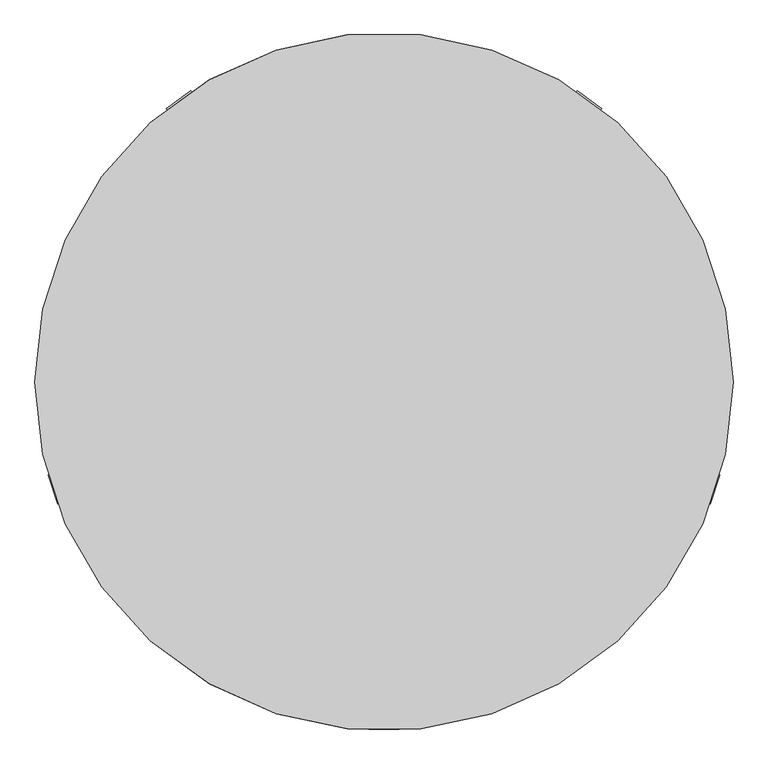
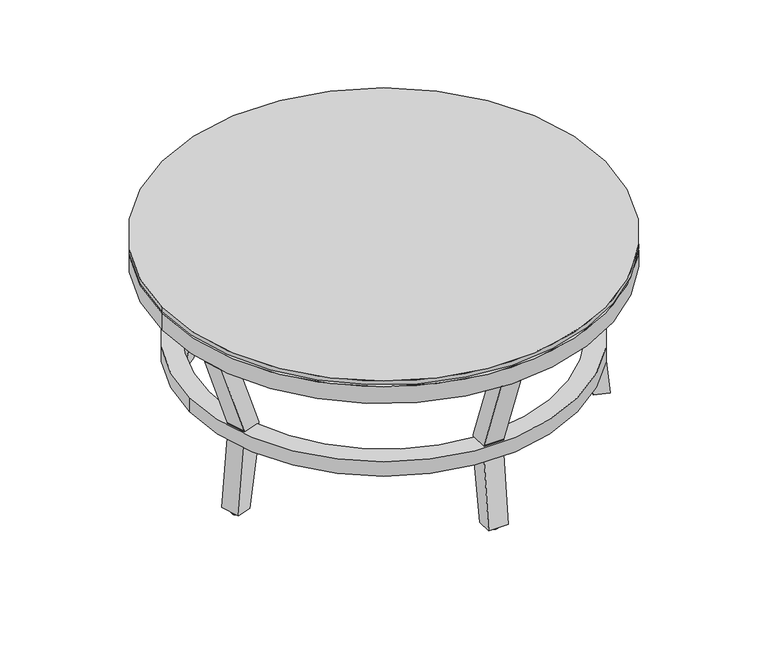
"""IFC4 building model written with IfcOpenShell, lengths in millimetres: furniture geometry."""

import ifcopenshell
import ifcopenshell.guid

model = None  # the IFC model being written
_history = None  # IfcOwnerHistory: only IFC2X3 demands one
_inside = {}  # id of a spatial element -> (the spatial element, [elements in it])
_under = {}  # id of a project, library or spatial element -> (it, [spatial elements below it])
_declared = {}  # id of a project -> (the project, [libraries it declares])
_typed = {}  # id of a type object -> (the type object, [elements of that type])
_made_of = {}  # id of a material, layer set ... -> (it, [elements and type objects made of it])


def new_model(schema):
    """Start an empty IFC model of exactly this schema.

    Asked for "IFC4X3", IfcOpenShell would pick the latest addendum, in which some entities
    have other attributes; the version numbers below select the first issue.
    IFC2X3 requires an IfcOwnerHistory on every rooted entity: one is made here for all.
    """
    global model, _history
    if schema == "IFC4X3":
        model = ifcopenshell.file(schema_version=(4, 3, 0, 0))
    else:
        model = ifcopenshell.file(schema=schema)
    _inside.clear()
    _under.clear()
    _declared.clear()
    _typed.clear()
    _made_of.clear()
    _history = None
    if model.schema == "IFC2X3":
        org = make("IfcOrganization", Name="unknown")
        user = make(
            "IfcPersonAndOrganization",
            ThePerson=make("IfcPerson", FamilyName="unknown"),
            TheOrganization=org,
        )
        app = make(
            "IfcApplication",
            ApplicationDeveloper=org,
            Version="unknown",
            ApplicationFullName="unknown",
            ApplicationIdentifier="unknown",
        )
        _history = make(
            "IfcOwnerHistory",
            OwningUser=user,
            OwningApplication=app,
            ChangeAction="ADDED",
            CreationDate=0,
        )
    return model


def make(cls, **values):
    """One entity of the class cls with the attributes given. An attribute that is None is left unset."""
    return model.create_entity(
        cls, **{name: value for name, value in values.items() if value is not None}
    )


def rooted(cls, **values):
    """An entity with a GlobalId (a new one), such as an element, a storey or a relation."""
    return make(cls, GlobalId=ifcopenshell.guid.new(), OwnerHistory=_history, **values)


def si_unit(unit_type, name, prefix=None):
    """IfcSIUnit, for example si_unit("LENGTHUNIT", "METRE", prefix="MILLI")."""
    return make("IfcSIUnit", UnitType=unit_type, Prefix=prefix, Name=name)


def assignment(units):
    """IfcUnitAssignment: the units of a project."""
    return None if units is None else make("IfcUnitAssignment", Units=units)


def point(xyz):
    """IfcCartesianPoint."""
    return None if xyz is None else make("IfcCartesianPoint", Coordinates=xyz)


def direction(xyz):
    """IfcDirection."""
    return None if xyz is None else make("IfcDirection", DirectionRatios=xyz)


def frame(location, z_axis=None, x_axis=None):
    """IfcAxis2Placement3D, a coordinate frame: its origin and axes. An axis left out is left unset."""
    return make(
        "IfcAxis2Placement3D",
        Location=point(location),
        Axis=direction(z_axis),
        RefDirection=direction(x_axis),
    )


def frame_2d(location, x_axis=None):
    """IfcAxis2Placement2D, a coordinate frame in the plane: its origin and x axis."""
    return make(
        "IfcAxis2Placement2D", Location=point(location), RefDirection=direction(x_axis)
    )


def origin():
    """The frame at (0, 0, 0) with its axes left unset."""
    return frame((0.0, 0.0, 0.0))


def place(relative_to, where):
    """IfcLocalPlacement: puts the frame where relative to a parent placement (None: the world)."""
    return make(
        "IfcLocalPlacement", PlacementRelTo=relative_to, RelativePlacement=where
    )


def context(
    kind, dimensions, precision=None, world=None, true_north=None, identifier=None
):
    """IfcGeometricRepresentationContext, for example the 3D "Model" context."""
    return make(
        "IfcGeometricRepresentationContext",
        ContextIdentifier=identifier,
        ContextType=kind,
        CoordinateSpaceDimension=dimensions,
        Precision=precision,
        WorldCoordinateSystem=world,
        TrueNorth=true_north,
    )


def project(units=None, contexts=None):
    """IfcProject with its units and contexts."""
    return rooted(
        "IfcProject",
        Name="project",
        RepresentationContexts=contexts,
        UnitsInContext=assignment(units),
    )


def spatial(cls, under=None, at=None, **own):
    """A site, building, storey or space (cls), placed at a placement, below another one or the project."""
    s = rooted(cls, ObjectPlacement=at, **own)
    if under is not None:
        _under.setdefault(under.id(), (under, []))[1].append(s)
    return s


def polyline(points):
    """IfcPolyline through the points."""
    return make("IfcPolyline", Points=[point(p) for p in points])


def circle_curve(where, radius):
    """IfcCircle in the frame where."""
    return make("IfcCircle", Position=where, Radius=radius)


def ellipse_curve(where, semi_axis1, semi_axis2):
    """IfcEllipse in the frame where."""
    return make(
        "IfcEllipse", Position=where, SemiAxis1=semi_axis1, SemiAxis2=semi_axis2
    )


def trimmed(basis, trim1, trim2, sense, master):
    """IfcTrimmedCurve: the piece of a basis curve between two trims."""
    return make(
        "IfcTrimmedCurve",
        BasisCurve=basis,
        Trim1=trim1,
        Trim2=trim2,
        SenseAgreement=sense,
        MasterRepresentation=master,
    )


def segment(curve, same_sense, transition):
    """IfcCompositeCurveSegment."""
    return make(
        "IfcCompositeCurveSegment",
        Transition=transition,
        SameSense=same_sense,
        ParentCurve=curve,
    )


def composite_curve(segments, self_intersect=None):
    """IfcCompositeCurve: segments joined end to end."""
    return make("IfcCompositeCurve", Segments=segments, SelfIntersect=self_intersect)


def outline(outer, holes=None, kind="AREA"):
    """IfcArbitraryClosedProfileDef: a profile drawn as a closed curve; with holes, ...WithVoids."""
    if holes is None:
        return make("IfcArbitraryClosedProfileDef", ProfileType=kind, OuterCurve=outer)
    return make(
        "IfcArbitraryProfileDefWithVoids",
        ProfileType=kind,
        OuterCurve=outer,
        InnerCurves=holes,
    )


def extrude(swept, where, along, depth):
    """IfcExtrudedAreaSolid: the profile swept, set in the frame where, extruded along a direction by depth."""
    return make(
        "IfcExtrudedAreaSolid",
        SweptArea=swept,
        Position=where,
        ExtrudedDirection=direction(along),
        Depth=depth,
    )


def shape(context_of_items, identifier, shape_type, items):
    """IfcShapeRepresentation: the items that make up one representation, for example the "Body"."""
    return make(
        "IfcShapeRepresentation",
        ContextOfItems=context_of_items,
        RepresentationIdentifier=identifier,
        RepresentationType=shape_type,
        Items=items,
    )


def source(mapping_origin, context_of_items, identifier, shape_type, items):
    """IfcRepresentationMap: a shape defined once, which mapped items show again and again."""
    return make(
        "IfcRepresentationMap",
        MappingOrigin=mapping_origin,
        MappedRepresentation=shape(context_of_items, identifier, shape_type, items),
    )


def transform(
    local_origin,
    x_axis=None,
    y_axis=None,
    z_axis=None,
    scale=None,
    scale2=None,
    scale3=None,
    uniform=True,
):
    """IfcCartesianTransformationOperator3D, or its non-uniform kind. x_axis, y_axis, z_axis: its Axis1, 2, 3."""
    if uniform:
        return make(
            "IfcCartesianTransformationOperator3D",
            Axis1=direction(x_axis),
            Axis2=direction(y_axis),
            LocalOrigin=point(local_origin),
            Scale=scale,
            Axis3=direction(z_axis),
        )
    return make(
        "IfcCartesianTransformationOperator3DnonUniform",
        Axis1=direction(x_axis),
        Axis2=direction(y_axis),
        LocalOrigin=point(local_origin),
        Scale=scale,
        Axis3=direction(z_axis),
        Scale2=scale2,
        Scale3=scale3,
    )


def mapped(mapping_source, mapping_target):
    """IfcMappedItem: shows the shape of a source again, moved by a transform."""
    return make(
        "IfcMappedItem", MappingSource=mapping_source, MappingTarget=mapping_target
    )


def made_of(thing, what):
    """Note that an element or type object is made of a material, layer set ...; save() writes the relation."""
    if what is not None:
        _made_of.setdefault(what.id(), (what, []))[1].append(thing)
    return thing


def element(
    cls,
    number,
    at=None,
    inside=None,
    cuts=None,
    type_object=None,
    material=None,
    context=None,
    identifier="Body",
    shape_type=None,
    held_by="IfcProductDefinitionShape",
    body=None,
    shapes=None,
    **own,
):
    """One element of the class cls, such as IfcWall. Its Tag is "e" and its number.

    at: its placement. inside: the storey or other place that contains it. cuts: it is an
    opening in that element (IfcRelVoidsElement). A single representation is given by context,
    identifier, shape_type and body (its items); several are given by shapes. held_by: the class
    of the entity that holds the representations. save() writes the other relations.
    """
    e = rooted(cls, Tag="e%d" % number, ObjectPlacement=at, **own)
    if body is not None:
        shapes = [shape(context, identifier, shape_type, body)]
    if shapes is not None:
        e.Representation = make(held_by, Representations=shapes)
    if inside is not None:
        _inside.setdefault(inside.id(), (inside, []))[1].append(e)
    if cuts is not None:
        rooted(
            "IfcRelVoidsElement", RelatingBuildingElement=cuts, RelatedOpeningElement=e
        )
    if type_object is not None:
        _typed.setdefault(type_object.id(), (type_object, []))[1].append(e)
    return made_of(e, material)


def aggregate(whole, parts):
    """IfcRelAggregates: a whole, such as a stair, and the parts it consists of."""
    return rooted("IfcRelAggregates", RelatingObject=whole, RelatedObjects=parts)


def save(model, path):
    """Write the relations noted so far, then the file.

    IfcRelAggregates (storeys below a building ...), IfcRelContainedInSpatialStructure (elements
    in a storey), IfcRelDefinesByType, IfcRelAssociatesMaterial and IfcRelDeclares: one each for
    every whole, place, type object, material and project.
    """
    for whole, parts in _under.values():
        aggregate(whole, parts)
    for where, things in _inside.values():
        rooted(
            "IfcRelContainedInSpatialStructure",
            RelatedElements=things,
            RelatingStructure=where,
        )
    for kind, things in _typed.values():
        rooted("IfcRelDefinesByType", RelatedObjects=things, RelatingType=kind)
    for what, things in _made_of.values():
        rooted("IfcRelAssociatesMaterial", RelatedObjects=things, RelatingMaterial=what)
    for by, libraries in _declared.values():
        rooted("IfcRelDeclares", RelatingContext=by, RelatedDefinitions=libraries)
    model.write(path)


def plane_surface(at):
    """IfcPlane: the flat surface through the origin of the frame at, square to its z axis."""
    return make("IfcPlane", Position=at)


def cylinder_surface(at, radius):
    """IfcCylindricalSurface: all points at the distance radius from the z axis of the frame at."""
    return make("IfcCylindricalSurface", Position=at, Radius=radius)


def revolved_surface(curve, axis_point, axis_direction):
    """IfcSurfaceOfRevolution: the curve turned about the line through axis_point along axis_direction."""
    return make(
        "IfcSurfaceOfRevolution",
        SweptCurve=make("IfcArbitraryOpenProfileDef", ProfileType="CURVE", Curve=curve),
        AxisPosition=make("IfcAxis1Placement", Location=point(axis_point), Axis=direction(axis_direction)),
    )


def advanced_brep(points, edges, surfaces, faces):
    """IfcAdvancedBrep: a solid bounded by faces that lie on surfaces and meet in shared edges.

    An edge is (start, end): straight between two places in points (the first is 0);
    or (start, end, curve); or (start, end, curve, False) where it runs against its curve.
    A face is (place in surfaces, loops), or (place, loops, False) where it looks against
    its surface's normal. A loop lists edges by number (the first is 1), with a minus sign
    where the edge is run from its end to its start. The first loop is the outer one.
    """
    corners = [point(p) for p in points]
    vertices = [make("IfcVertexPoint", VertexGeometry=c) for c in corners]
    made = []
    for start, end, *more in edges:
        made.append(
            make(
                "IfcEdgeCurve",
                EdgeStart=vertices[start],
                EdgeEnd=vertices[end],
                EdgeGeometry=more[0] if more else make("IfcPolyline", Points=[corners[start], corners[end]]),
                SameSense=more[1] if len(more) > 1 else True,
            )
        )
    hull = []
    for where, loops, *sense in faces:
        bounds = []
        for j, loop in enumerate(loops):
            ring = [make("IfcOrientedEdge", EdgeElement=made[abs(k) - 1], Orientation=k > 0) for k in loop]
            bounds.append(
                make(
                    "IfcFaceOuterBound" if j == 0 else "IfcFaceBound",
                    Bound=make("IfcEdgeLoop", EdgeList=ring),
                    Orientation=True,
                )
            )
        hull.append(make("IfcAdvancedFace", Bounds=bounds, FaceSurface=surfaces[where], SameSense=sense[0] if sense else True))
    return make("IfcAdvancedBrep", Outer=make("IfcClosedShell", CfsFaces=hull))


def furniture_ee58636d(model_context):
    return source(origin(), model_context, "Body", "SolidModel", [
        extrude(outline(composite_curve([segment(trimmed(circle_curve(frame_2d((-0.1170764, -4.034743)), 508.0), [point((-508.1170764, -4.034743))], [point((507.8829236, -4.034743))], False, "CARTESIAN"), True, "CONTINUOUS"), segment(trimmed(circle_curve(frame_2d((-0.1170764, -4.034743)), 508.0), [point((507.8829236, -4.034743))], [point((-508.1170764, -4.034743))], False, "CARTESIAN"), True, "CONTINUOUS")], self_intersect=False), holes=[composite_curve([segment(polyline([(2.5685154, 32.9460217), (258.0561961, 384.6186475)]), True, "CONTINUOUS"), segment(trimmed(circle_curve(frame_2d((-0.1170764, -4.034743)), 466.5885731), [point((258.0561961, 384.6186475))], [point((-254.6794208, 386.9932732))], True, "CARTESIAN"), True, "CONTINUOUS"), segment(polyline([(-254.6794208, 386.9932732), (2.5685154, 32.9460217)]), True, "CONTINUOUS")], self_intersect=False), composite_curve([segment(polyline([(38.893601, 6.5560991), (449.9771996, -126.9983119)]), True, "CONTINUOUS"), segment(trimmed(circle_curve(frame_2d((-0.1170764, -4.034743)), 466.5885731), [point((449.9771996, -126.9983119))], [point((466.4714967, -4.034743))], True, "CARTESIAN"), True, "CONTINUOUS"), segment(trimmed(circle_curve(frame_2d((-0.1170764, -4.034743)), 466.5885731), [point((466.4714967, -4.034743))], [point((294.2178202, 358.0037428))], True, "CARTESIAN"), True, "CONTINUOUS"), segment(polyline([(294.2178202, 358.0037428), (38.893601, 6.5560991)]), True, "CONTINUOUS")], self_intersect=False), composite_curve([segment(polyline([(25.0203653, -36.1460449), (25.034437, -469.9449253)]), True, "CONTINUOUS"), segment(trimmed(circle_curve(frame_2d((-0.1170764, -4.034743)), 466.5885731), [point((25.034437, -469.9449253))], [point((436.0743441, -169.6908364))], True, "CARTESIAN"), True, "CONTINUOUS"), segment(polyline([(436.0743441, -169.6908364), (25.0203653, -36.1460449)]), True, "CONTINUOUS")], self_intersect=False), composite_curve([segment(polyline([(-19.8788563, -36.1475012), (-435.7045723, -171.2723884)]), True, "CONTINUOUS"), segment(trimmed(circle_curve(frame_2d((-0.1170764, -4.034743)), 466.5885731), [point((-435.7045723, -171.2723884))], [point((-19.8647717, -470.2052323))], True, "CARTESIAN"), True, "CONTINUOUS"), segment(polyline([(-19.8647717, -470.2052323), (-19.8788563, -36.1475012)]), True, "CONTINUOUS")], self_intersect=False), composite_curve([segment(polyline([(-33.7548625, 6.5537464), (-291.0855094, 360.7148527)]), True, "CONTINUOUS"), segment(trimmed(circle_curve(frame_2d((-0.1170764, -4.034743)), 466.5885731), [point((-291.0855094, 360.7148527))], [point((-466.7056496, -4.034743))], True, "CARTESIAN"), True, "CONTINUOUS"), segment(trimmed(circle_curve(frame_2d((-0.1170764, -4.034743)), 466.5885731), [point((-466.7056496, -4.034743))], [point((-449.7623461, -128.6302004))], True, "CARTESIAN"), True, "CONTINUOUS"), segment(polyline([(-449.7623461, -128.6302004), (-33.7548625, 6.5537464)]), True, "CONTINUOUS")], self_intersect=False)]), frame((0.0, 0.0, 389.9617955), z_axis=(0.0, 0.0, 1.0), x_axis=(1.0, 0.0, 0.0)), (0.0, 0.0, 1.0), 40.3928833),
        advanced_brep(
        [(22.3553965, -510.3082097, 389.9617955), (22.3553965, -442.3370878, 206.1575756), (22.3553965, -442.3665129, 203.6636084), (22.3553965, -403.1242044, 203.6636084), (22.3553965, -403.1242044, 169.0038375), (22.3553965, -442.8098702, 169.0038375), (22.3553965, -459.5357357, 9.1777344), (22.3553965, -425.2049528, 9.1777344), (22.3553965, -399.0293388, 166.5418287), (22.3553965, -399.0293388, 206.1571759), (22.3553965, -467.0168144, 389.9617955), (-22.3961713, -510.3082097, 389.9617955), (-22.3961713, -467.0168144, 389.9617955), (-22.3961713, -399.0293388, 206.1571759), (-22.3961713, -399.0293388, 166.5418287), (-22.3961713, -425.2049528, 9.1777344), (-22.3961713, -459.5357357, 9.1777344), (-22.3961713, -442.8098702, 169.0038375), (-22.3961713, -403.1350464, 169.0038375), (-22.3961713, -403.1350464, 203.6636084), (-22.3961713, -442.3665129, 203.6636084), (-22.3961713, -442.3370878, 206.1575756), (-444.3482143, -4.034743, 203.6636084), (444.1140615, -4.034743, 203.6636084), (-373.0107056, -148.0060998, 203.6636084), (-410.2700144, -160.4221465, 203.6636084), (-424.4178847, -117.9658092, 203.6636084), (-386.7675034, -105.4194439, 203.6636084), (-399.8387424, -4.034743, 203.6636084), (-252.0375372, 306.3094074, 203.6636084), (-276.475125, 339.0111583, 203.6636084), (-240.6272395, 365.7998111, 203.6636084), (-215.7632659, 332.5274819, 203.6636084), (215.529113, 332.5274819, 203.6636084), (240.3930866, 365.7998111, 203.6636084), (276.2409722, 339.0111583, 203.6636084), (251.8033843, 306.3094074, 203.6636084), (399.6045895, -4.034743, 203.6636084), (386.5333505, -105.4194439, 203.6636084), (424.1837319, -117.9658092, 203.6636084), (410.0358615, -160.4221465, 203.6636084), (372.7765527, -148.0060998, 203.6636084), (-444.3482143, -4.034743, 169.0038375), (444.1140615, -4.034743, 169.0038375), (372.7765527, -148.0060998, 169.0038375), (410.4564797, -160.5623106, 169.0038375), (424.6043501, -118.1059732, 169.0038375), (386.5333505, -105.4194439, 169.0038375), (399.6045895, -4.034743, 169.0038375), (251.8033843, 306.3094074, 169.0038375), (276.5063694, 339.3663061, 169.0038375), (240.6584839, 366.1549589, 169.0038375), (215.529113, 332.5274819, 169.0038375), (-215.7632659, 332.5274819, 169.0038375), (-240.8926367, 366.1549589, 169.0038375), (-276.7405223, 339.3663061, 169.0038375), (-252.0375372, 306.3094074, 169.0038375), (-399.8387424, -4.034743, 169.0038375), (-386.7675034, -105.4194439, 169.0038375), (-424.838503, -118.1059732, 169.0038375), (-410.6906326, -160.5623106, 169.0038375), (-373.0107056, -148.0060998, 169.0038375), (-317.1455779, 393.4353112, 389.9617955), (-276.4575109, 338.9875875, 206.1575756), (-286.7527615, 352.7644269, 9.1777344), (-266.2020754, 325.2640278, 9.1777344), (-250.5331397, 304.2962615, 166.5418287), (-250.5331397, 304.2962615, 206.1571759), (-291.2309962, 358.7570852, 389.9617955), (-281.2976923, 420.2239641, 389.9617955), (-255.3831106, 385.545738, 389.9617955), (-214.6852542, 331.0849143, 206.1571759), (-214.6852542, 331.0849143, 166.5418287), (-230.3541899, 352.0526807, 9.1777344), (-250.904876, 379.5530797, 9.1777344), (-240.6096253, 365.7762404, 206.1575756), (-474.7270992, -181.9014012, 389.9617955), (-410.2420984, -160.412844, 206.1575756), (-426.5586574, -165.8500667, 9.1777344), (-393.988641, -154.9966489, 9.1777344), (-369.1555288, -146.7214261, 166.5418287), (-369.1555288, -146.7214261, 206.1571759), (-433.6560445, -168.2151533, 389.9617955), (-488.8749695, -139.4450638, 389.9617955), (-447.8039149, -125.7588159, 389.9617955), (-383.3033992, -104.2650887, 206.1571759), (-383.3033992, -104.2650887, 166.5418287), (-408.1365113, -112.5403115, 9.1777344), (-440.7065278, -123.3937294, 9.1777344), (-424.3899688, -117.9565066, 206.1575756), (316.911425, 393.4353112, 389.9617955), (290.9968433, 358.7570852, 389.9617955), (250.2989869, 304.2962615, 206.1571759), (250.2989869, 304.2962615, 166.5418287), (265.9679226, 325.2640278, 9.1777344), (286.5186087, 352.7644269, 9.1777344), (276.223358, 338.9875875, 206.1575756), (281.0635395, 420.2239641, 389.9617955), (240.3754725, 365.7762404, 206.1575756), (250.6707231, 379.5530797, 9.1777344), (230.120037, 352.0526807, 9.1777344), (214.4511013, 331.0849143, 166.5418287), (214.4511013, 331.0849143, 206.1571759), (255.1489578, 385.545738, 389.9617955), (474.4929463, -181.9014012, 389.9617955), (433.4218917, -168.2151533, 389.9617955), (368.921376, -146.7214261, 206.1571759), (368.921376, -146.7214261, 166.5418287), (393.7544881, -154.9966489, 9.1777344), (426.3245046, -165.8500667, 9.1777344), (410.0079455, -160.412844, 206.1575756), (488.6408167, -139.4450638, 389.9617955), (424.1558159, -117.9565066, 206.1575756), (440.4723749, -123.3937294, 9.1777344), (407.9023585, -112.5403115, 9.1777344), (383.0692464, -104.2650887, 166.5418287), (383.0692464, -104.2650887, 206.1571759), (447.569762, -125.7588159, 389.9617955)],
        [
            (0, 1),
            (1, 2),
            (2, 3),
            (3, 4),
            (4, 5),
            (5, 6),
            (6, 7),
            (7, 8),
            (8, 9),
            (9, 10),
            (10, 0),
            (11, 12),
            (12, 13),
            (13, 14),
            (14, 15),
            (15, 16),
            (16, 17),
            (17, 18),
            (18, 19),
            (19, 20),
            (20, 21),
            (21, 11),
            (22, 23, circle_curve(frame((-0.1170764, -4.034743, 203.6636084), z_axis=(0.0, 0.0, 1.0), x_axis=(1.0, 0.0, 0.0)), 444.2311379)),
            (23, 22, circle_curve(frame((-0.1170764, -4.034743, 203.6636084), z_axis=(0.0, 0.0, 1.0), x_axis=(1.0, 0.0, 0.0)), 444.2311379)),
            (2, 20),
            (19, 24, circle_curve(frame((-0.1170764, -4.034743, 203.6636084), z_axis=(0.0, 0.0, -1.0), x_axis=(1.0, 0.0, 0.0)), 399.721666)),
            (24, 25),
            (25, 26),
            (26, 27),
            (27, 28, circle_curve(frame((-0.1170764, -4.034743, 203.6636084), z_axis=(0.0, 0.0, -1.0), x_axis=(1.0, 0.0, 0.0)), 399.721666)),
            (28, 29, circle_curve(frame((-0.1170764, -4.034743, 203.6636084), z_axis=(0.0, 0.0, -1.0), x_axis=(1.0, 0.0, 0.0)), 399.721666)),
            (29, 30),
            (30, 31),
            (31, 32),
            (32, 33, circle_curve(frame((-0.1170764, -4.034743, 203.6636084), z_axis=(0.0, 0.0, -1.0), x_axis=(1.0, 0.0, 0.0)), 399.721666)),
            (33, 34),
            (34, 35),
            (35, 36),
            (36, 37, circle_curve(frame((-0.1170764, -4.034743, 203.6636084), z_axis=(0.0, 0.0, -1.0), x_axis=(1.0, 0.0, 0.0)), 399.721666)),
            (37, 38, circle_curve(frame((-0.1170764, -4.034743, 203.6636084), z_axis=(0.0, 0.0, -1.0), x_axis=(1.0, 0.0, 0.0)), 399.721666)),
            (38, 39),
            (39, 40),
            (40, 41),
            (41, 3, circle_curve(frame((-0.1170764, -4.034743, 203.6636084), z_axis=(0.0, 0.0, -1.0), x_axis=(1.0, 0.0, 0.0)), 399.721666)),
            (42, 43, circle_curve(frame((-0.1170764, -4.034743, 169.0038375), z_axis=(0.0, 0.0, -1.0), x_axis=(1.0, 0.0, 0.0)), 444.2311379)),
            (43, 42, circle_curve(frame((-0.1170764, -4.034743, 169.0038375), z_axis=(0.0, 0.0, -1.0), x_axis=(1.0, 0.0, 0.0)), 444.2311379)),
            (4, 44, circle_curve(frame((-0.1170764, -4.034743, 169.0038375), z_axis=(0.0, 0.0, 1.0), x_axis=(1.0, 0.0, 0.0)), 399.721666)),
            (44, 45),
            (45, 46),
            (46, 47),
            (47, 48, circle_curve(frame((-0.1170764, -4.034743, 169.0038375), z_axis=(0.0, 0.0, 1.0), x_axis=(1.0, 0.0, 0.0)), 399.721666)),
            (48, 49, circle_curve(frame((-0.1170764, -4.034743, 169.0038375), z_axis=(0.0, 0.0, 1.0), x_axis=(1.0, 0.0, 0.0)), 399.721666)),
            (49, 50),
            (50, 51),
            (51, 52),
            (52, 53, circle_curve(frame((-0.1170764, -4.034743, 169.0038375), z_axis=(0.0, 0.0, 1.0), x_axis=(1.0, 0.0, 0.0)), 399.721666)),
            (53, 54),
            (54, 55),
            (55, 56),
            (56, 57, circle_curve(frame((-0.1170764, -4.034743, 169.0038375), z_axis=(0.0, 0.0, 1.0), x_axis=(1.0, 0.0, 0.0)), 399.721666)),
            (57, 58, circle_curve(frame((-0.1170764, -4.034743, 169.0038375), z_axis=(0.0, 0.0, 1.0), x_axis=(1.0, 0.0, 0.0)), 399.721666)),
            (58, 59),
            (59, 60),
            (60, 61),
            (61, 18, circle_curve(frame((-0.1170764, -4.034743, 169.0038375), z_axis=(0.0, 0.0, 1.0), x_axis=(1.0, 0.0, 0.0)), 399.721666)),
            (17, 5),
            (28, 57),
            (56, 29),
            (32, 53),
            (52, 33),
            (48, 37),
            (36, 49),
            (41, 44),
            (61, 24),
            (27, 58),
            (47, 38),
            (10, 12),
            (11, 0),
            (21, 1),
            (16, 6),
            (7, 15),
            (14, 8),
            (13, 9),
            (22, 42),
            (43, 23),
            (62, 63),
            (63, 30),
            (55, 64),
            (64, 65),
            (65, 66),
            (66, 67),
            (67, 68),
            (68, 62),
            (69, 70),
            (70, 71),
            (71, 72),
            (72, 73),
            (73, 74),
            (74, 54),
            (31, 75),
            (75, 69),
            (68, 70),
            (69, 62),
            (75, 63),
            (74, 64),
            (65, 73),
            (72, 66),
            (71, 67),
            (76, 77),
            (77, 25),
            (60, 78),
            (78, 79),
            (79, 80),
            (80, 81),
            (81, 82),
            (82, 76),
            (83, 84),
            (84, 85),
            (85, 86),
            (86, 87),
            (87, 88),
            (88, 59),
            (26, 89),
            (89, 83),
            (82, 84),
            (83, 76),
            (89, 77),
            (88, 78),
            (79, 87),
            (86, 80),
            (85, 81),
            (90, 91),
            (91, 92),
            (92, 93),
            (93, 94),
            (94, 95),
            (95, 50),
            (35, 96),
            (96, 90),
            (97, 98),
            (98, 34),
            (51, 99),
            (99, 100),
            (100, 101),
            (101, 102),
            (102, 103),
            (103, 97),
            (90, 97),
            (103, 91),
            (96, 98),
            (95, 99),
            (93, 101),
            (100, 94),
            (92, 102),
            (104, 105),
            (105, 106),
            (106, 107),
            (107, 108),
            (108, 109),
            (109, 45),
            (40, 110),
            (110, 104),
            (111, 112),
            (112, 39),
            (46, 113),
            (113, 114),
            (114, 115),
            (115, 116),
            (116, 117),
            (117, 111),
            (104, 111),
            (117, 105),
            (110, 112),
            (109, 113),
            (107, 115),
            (114, 108),
            (106, 116),
        ],
        [
            plane_surface(frame((22.3553965, -510.3082097, 389.9617955), z_axis=(1.0, 0.0, 0.0), x_axis=(0.0, 0.34684532255498596, -0.9379223433854893))),
            plane_surface(frame((-22.3961713, -510.3082097, 389.9617955), z_axis=(-1.0, 0.0, 0.0), x_axis=(0.0, -0.34684532255498596, 0.9379223433854893))),
            plane_surface(frame((399.6045895, -4.034743, 203.6636084), z_axis=(0.0, 0.0, 1.0), x_axis=(0.0, -1.0, 0.0))),
            plane_surface(frame((399.6045895, -4.034743, 169.0038375), z_axis=(0.0, 0.0, -1.0), x_axis=(0.0, 1.0, 0.0))),
            revolved_surface(polyline([(399.60458960000005, -4.034743, 169.0038375), (399.60458960000005, -4.034743, 203.6636084)]), (-0.1170764, -4.034743, 169.0038375), (0.0, 0.0, -1.0)),
            plane_surface(frame((22.3553965, -467.0168144, 389.9617955), z_axis=(0.0, 0.0, 1.0), x_axis=(-1.0, 0.0, 0.0))),
            plane_surface(frame((22.3553965, -510.3082097, 389.9617955), z_axis=(0.0, -0.9379223433854893, -0.34684532255498596), x_axis=(-1.0, 0.0, 0.0))),
            plane_surface(frame((22.3553965, -442.3370878, 206.1575756), z_axis=(0.0, -0.9999304046953065, 0.011797701720278896), x_axis=(-1.0, 0.0, 0.0))),
            plane_surface(frame((22.3553965, -442.7710729, 169.3745695), z_axis=(0.0, -0.9945687178301605, 0.10408201340130996), x_axis=(-1.0, 0.0, 0.0))),
            plane_surface(frame((22.3553965, -425.2049528, 9.1777344), z_axis=(0.0, 0.9864464632341414, -0.16408343966669428), x_axis=(-1.0, 0.0, 0.0))),
            plane_surface(frame((22.3553965, -399.0293388, 166.5418287), z_axis=(0.0, 1.0, 0.0), x_axis=(-1.0, 0.0, 0.0))),
            plane_surface(frame((22.3553965, -399.0293388, 206.1571759), z_axis=(0.0, 0.937895439292617, 0.34691806662972896), x_axis=(-1.0, 0.0, 0.0))),
            cylinder_surface(frame((-0.1170764, -4.034743, 0.2480469), z_axis=(0.0, 0.0, 1.0), x_axis=(1.0, 0.0, 0.0)), 444.2311379),
            plane_surface(frame((22.3553965, -459.5357357, 9.1777344), z_axis=(0.0, 0.0, -1.0), x_axis=(-1.0, 0.0, 0.0))),
            plane_surface(frame((-317.1455779, 393.4353112, 389.9617955), z_axis=(-0.8010420040243101, -0.5986081421002535, 0.0), x_axis=(0.20762443413075818, -0.2778376722658278, -0.9379223433855219))),
            plane_surface(frame((-281.2976923, 420.2239641, 389.9617955), z_axis=(0.8010420040243101, 0.5986081421002535, 0.0), x_axis=(-0.20762443413075818, 0.2778376722658278, 0.9379223433855219))),
            plane_surface(frame((-291.2309962, 358.7570852, 389.9617955), z_axis=(0.0, 0.0, 1.0), x_axis=(0.8010420040243101, 0.5986081421002535, 0.0))),
            plane_surface(frame((-317.1455779, 393.4353112, 389.9617955), z_axis=(-0.5614479514083204, 0.7513151935647179, -0.3468453225548978), x_axis=(0.8010420040243101, 0.5986081421002535, 0.0))),
            plane_surface(frame((-276.4575109, 338.9875875, 206.1575756), z_axis=(-0.5985664817842117, 0.8009862552619679, 0.01179770172027951), x_axis=(0.8010420040243104, 0.598608142100253, 0.0))),
            plane_surface(frame((-276.7172979, 339.3352278, 169.3745695), z_axis=(-0.5953569323713517, 0.7966913188705693, 0.10408201340119634), x_axis=(0.8010420040243101, 0.5986081421002535, 0.0))),
            plane_surface(frame((-266.2020754, 325.2640278, 9.1777344), z_axis=(0.5904948846379564, -0.7901850517717688, -0.16408343966669425), x_axis=(0.8010420040243101, 0.5986081421002535, 0.0))),
            plane_surface(frame((-250.5331397, 304.2962615, 166.5418287), z_axis=(0.5986081421002529, -0.8010420040243105, 0.0), x_axis=(0.8010420040243105, 0.5986081421002529, 0.0))),
            plane_surface(frame((-250.5331397, 304.2962615, 206.1571759), z_axis=(0.5614318463992523, -0.7512936422562201, 0.3469180666297291), x_axis=(0.8010420040243095, 0.5986081421002543, 0.0))),
            plane_surface(frame((-286.7527615, 352.7644269, 9.1777344), z_axis=(0.0, 0.0, -1.0000000000000002), x_axis=(0.8010420040243099, 0.5986081421002538, 0.0))),
            plane_surface(frame((-474.7270992, -181.9014012, 389.9617955), z_axis=(0.3161424520646636, -0.9487117317723768, 0.0), x_axis=(0.3290562266182021, 0.10965253075967352, -0.9379223433855222))),
            plane_surface(frame((-488.8749695, -139.4450638, 389.9617955), z_axis=(-0.3161424520646636, 0.9487117317723768, 0.0), x_axis=(-0.3290562266182021, -0.10965253075967352, 0.9379223433855222))),
            plane_surface(frame((-433.6560445, -168.2151533, 389.9617955), z_axis=(0.0, 0.0, 1.0), x_axis=(-0.3161424520646643, 0.9487117317723764, 0.0))),
            plane_surface(frame((-474.7270992, -181.9014012, 389.9617955), z_axis=(-0.8898179306612858, -0.2965170694841304, -0.34684532255489725), x_axis=(-0.31614245206466307, 0.9487117317723769, 0.0))),
            plane_surface(frame((-410.2420984, -160.412844, 206.1575756), z_axis=(-0.9486457058903379, -0.316120450034385, 0.011797701720278785), x_axis=(-0.3161424520646629, 0.9487117317723769, 0.0))),
            plane_surface(frame((-410.6538252, -160.5500451, 169.3745695), z_axis=(-0.9435590106592947, -0.3144253932016412, 0.10408201340119626), x_axis=(-0.31614245206466446, 0.9487117317723764, 0.0))),
            plane_surface(frame((-393.988641, -154.9966489, 9.1777344), z_axis=(0.9358533324355979, 0.31185760371735877, -0.1640834396666942), x_axis=(-0.31614245206466446, 0.9487117317723764, 0.0))),
            plane_surface(frame((-369.1555288, -146.7214261, 166.5418287), z_axis=(0.9487117317723769, 0.3161424520646629, 0.0), x_axis=(-0.3161424520646629, 0.9487117317723769, 0.0))),
            plane_surface(frame((-369.1555288, -146.7214261, 206.1571759), z_axis=(0.8897924064327138, 0.2965085639582286, 0.34691806662972907), x_axis=(-0.3161424520646629, 0.9487117317723769, 0.0))),
            plane_surface(frame((-426.5586574, -165.8500667, 9.1777344), z_axis=(0.0, 0.0, -1.0), x_axis=(-0.3161424520646632, 0.9487117317723768, 0.0))),
            plane_surface(frame((290.6150901, 358.2462328, 389.9617955), z_axis=(0.8010420040243101, -0.5986081421002535, 0.0), x_axis=(-0.5986081421002535, -0.8010420040243101, 0.0))),
            plane_surface(frame((254.7672045, 385.0348857, 389.9617955), z_axis=(-0.8010420040243101, 0.5986081421002535, 0.0), x_axis=(0.5986081421002535, 0.8010420040243101, 0.0))),
            plane_surface(frame((316.911425, 393.4353112, 389.9617955), z_axis=(0.0, 0.0, 1.0000000000000002), x_axis=(-0.8010420040243099, 0.5986081421002538, 0.0))),
            plane_surface(frame((276.223358, 338.9875875, 206.1575756), z_axis=(0.5614479514083216, 0.751315193564717, -0.34684532255489775), x_axis=(-0.8010420040243091, 0.5986081421002547, 0.0))),
            plane_surface(frame((276.4831451, 339.3352278, 169.3745695), z_axis=(0.5985664817842121, 0.8009862552619677, 0.01179770172027951), x_axis=(-0.8010420040243101, 0.5986081421002535, 0.0))),
            plane_surface(frame((286.5186087, 352.7644269, 9.1777344), z_axis=(0.5953569323713516, 0.7966913188705694, 0.10408201340119633), x_axis=(-0.8010420040243101, 0.5986081421002535, 0.0))),
            plane_surface(frame((250.2989869, 304.2962615, 166.5418287), z_axis=(-0.5904948846379569, -0.7901850517717686, -0.16408343966669425), x_axis=(-0.8010420040243101, 0.5986081421002535, 0.0))),
            plane_surface(frame((250.2989869, 304.2962615, 206.1571759), z_axis=(-0.5986081421002535, -0.8010420040243101, 0.0), x_axis=(-0.8010420040243101, 0.5986081421002535, 0.0))),
            plane_surface(frame((290.9968433, 358.7570852, 389.9617955), z_axis=(-0.5614318463992516, -0.7512936422562208, 0.3469180666297292), x_axis=(-0.8010420040243101, 0.5986081421002535, 0.0))),
            plane_surface(frame((265.9679226, 325.2640278, 9.1777344), z_axis=(0.0, 0.0, -1.0), x_axis=(-0.8010420040243104, 0.598608142100253, 0.0))),
            plane_surface(frame((432.8168652, -168.0135383, 389.9617955), z_axis=(-0.3161424520646636, -0.9487117317723767, 0.0), x_axis=(-0.9487117317723767, 0.3161424520646636, 0.0))),
            plane_surface(frame((446.9647356, -125.5572009, 389.9617955), z_axis=(0.3161424520646636, 0.9487117317723767, 0.0), x_axis=(0.9487117317723767, -0.3161424520646636, 0.0))),
            plane_surface(frame((474.4929463, -181.9014012, 389.9617955), z_axis=(0.0, 0.0, 1.0000000000000002), x_axis=(0.31614245206466446, 0.9487117317723764, 0.0))),
            plane_surface(frame((410.0079455, -160.412844, 206.1575756), z_axis=(0.8898179306612858, -0.29651706948413026, -0.3468453225548972), x_axis=(0.3161424520646629, 0.9487117317723769, 0.0))),
            plane_surface(frame((410.4196723, -160.5500451, 169.3745695), z_axis=(0.9486457058903375, -0.3161204500343866, 0.01179770172027882), x_axis=(0.31614245206466446, 0.9487117317723764, 0.0))),
            plane_surface(frame((426.3245046, -165.8500667, 9.1777344), z_axis=(0.943559010659295, -0.3144253932016395, 0.10408201340119619), x_axis=(0.3161424520646628, 0.9487117317723769, 0.0))),
            plane_surface(frame((368.921376, -146.7214261, 166.5418287), z_axis=(-0.9358533324355982, 0.3118576037173575, -0.16408343966669445), x_axis=(0.3161424520646629, 0.9487117317723769, 0.0))),
            plane_surface(frame((368.921376, -146.7214261, 206.1571759), z_axis=(-0.9487117317723764, 0.31614245206466446, 0.0), x_axis=(0.31614245206466446, 0.9487117317723764, 0.0))),
            plane_surface(frame((433.4218917, -168.2151533, 389.9617955), z_axis=(-0.8897924064327138, 0.2965085639582285, 0.346918066629729), x_axis=(0.3161424520646628, 0.9487117317723769, 0.0))),
            plane_surface(frame((393.7544881, -154.9966489, 9.1777344), z_axis=(0.0, 0.0, -1.0000000000000002), x_axis=(0.31614245206466446, 0.9487117317723764, 0.0))),
        ],
        [
            (0, [[1, 2, 3, 4, 5, 6, 7, 8, 9, 10, 11]]),
            (1, [[12, 13, 14, 15, 16, 17, 18, 19, 20, 21, 22]]),
            (2, [[23, 24], [-3, 25, -20, 26, 27, 28, 29, 30, 31, 32, 33, 34, 35, 36, 37, 38, 39, 40, 41, 42, 43, 44]]),
            (3, [[45, 46], [-5, 47, 48, 49, 50, 51, 52, 53, 54, 55, 56, 57, 58, 59, 60, 61, 62, 63, 64, 65, -18, 66]]),
            (4, [[67, -60, 68, -31]]),
            (4, [[69, -56, 70, -35]]),
            (4, [[71, -39, 72, -52]]),
            (4, [[-4, -44, 73, -47]]),
            (4, [[-19, -65, 74, -26]]),
            (4, [[-67, -30, 75, -61]]),
            (4, [[-71, -51, 76, -40]]),
            (5, [[-11, 77, -12, 78]]),
            (6, [[-1, -78, -22, 79]]),
            (7, [[-79, -21, -25, -2]]),
            (8, [[80, -6, -66, -17]]),
            (9, [[-8, 81, -15, 82]]),
            (10, [[-9, -82, -14, 83]]),
            (11, [[-10, -83, -13, -77]]),
            (12, [[-23, 84, -46, 85]]),
            (12, [[-24, -85, -45, -84]]),
            (13, [[-7, -80, -16, -81]]),
            (14, [[86, 87, -32, -68, -59, 88, 89, 90, 91, 92, 93]]),
            (15, [[94, 95, 96, 97, 98, 99, -57, -69, -34, 100, 101]]),
            (16, [[-93, 102, -94, 103]]),
            (17, [[-86, -103, -101, 104]]),
            (18, [[-104, -100, -33, -87]]),
            (19, [[105, -88, -58, -99]]),
            (20, [[-90, 106, -97, 107]]),
            (21, [[-91, -107, -96, 108]]),
            (22, [[-92, -108, -95, -102]]),
            (23, [[-89, -105, -98, -106]]),
            (24, [[109, 110, -27, -74, -64, 111, 112, 113, 114, 115, 116]]),
            (25, [[117, 118, 119, 120, 121, 122, -62, -75, -29, 123, 124]]),
            (26, [[-116, 125, -117, 126]]),
            (27, [[-109, -126, -124, 127]]),
            (28, [[-127, -123, -28, -110]]),
            (29, [[128, -111, -63, -122]]),
            (30, [[-113, 129, -120, 130]]),
            (31, [[-114, -130, -119, 131]]),
            (32, [[-115, -131, -118, -125]]),
            (33, [[-112, -128, -121, -129]]),
            (34, [[132, 133, 134, 135, 136, 137, -53, -72, -38, 138, 139]]),
            (35, [[140, 141, -36, -70, -55, 142, 143, 144, 145, 146, 147]]),
            (36, [[-132, 148, -147, 149]]),
            (37, [[-139, 150, -140, -148]]),
            (38, [[-150, -138, -37, -141]]),
            (39, [[151, -142, -54, -137]]),
            (40, [[-135, 152, -144, 153]]),
            (41, [[-134, 154, -145, -152]]),
            (42, [[-133, -149, -146, -154]]),
            (43, [[-136, -153, -143, -151]]),
            (44, [[155, 156, 157, 158, 159, 160, -48, -73, -43, 161, 162]]),
            (45, [[163, 164, -41, -76, -50, 165, 166, 167, 168, 169, 170]]),
            (46, [[-155, 171, -170, 172]]),
            (47, [[-162, 173, -163, -171]]),
            (48, [[-173, -161, -42, -164]]),
            (49, [[174, -165, -49, -160]]),
            (50, [[-158, 175, -167, 176]]),
            (51, [[-157, 177, -168, -175]]),
            (52, [[-156, -172, -169, -177]]),
            (53, [[-159, -176, -166, -174]]),
        ],
    ),
        advanced_brep(
        [(416.3057162, -131.5396103, 9.1777344), (416.3057162, -150.5795818, 9.1777344), (416.3057162, -141.059596, 9.1777344), (416.3057162, -131.5396103, 2.788276), (416.3057162, -150.5795818, 2.788276), (416.3057162, -134.079626, 0.2482603), (416.3057162, -148.0395661, 0.2482603), (416.3057162, -141.059596, 0.2482603)],
        [
            (0, 1, circle_curve(frame((416.3057162, -141.059596, 9.1777344), z_axis=(0.0, 0.0, 1.0), x_axis=(0.0, -1.0, 0.0)), 9.5199858)),
            (1, 2),
            (2, 0),
            (1, 0, circle_curve(frame((416.3057162, -141.059596, 9.1777344), z_axis=(0.0, 0.0, 1.0), x_axis=(0.0, -1.0, 0.0)), 9.5199858)),
            (3, 4, circle_curve(frame((416.3057162, -141.059596, 2.788276), z_axis=(0.0, 0.0, 1.0), x_axis=(0.0, -1.0, 0.0)), 9.5199858)),
            (4, 1),
            (0, 3),
            (4, 3, circle_curve(frame((416.3057162, -141.059596, 2.788276), z_axis=(0.0, 0.0, 1.0), x_axis=(0.0, -1.0, 0.0)), 9.5199858)),
            (5, 6, circle_curve(frame((416.3057162, -141.059596, 0.2482603), z_axis=(0.0, 0.0, 1.0), x_axis=(0.0, -1.0, 0.0)), 6.97997)),
            (6, 4, circle_curve(frame((416.3057162, -148.0395661, 2.788276), z_axis=(-1.0, 0.0, 0.0), x_axis=(0.0, 1.0, 0.0)), 2.5400157)),
            (3, 5, circle_curve(frame((416.3057162, -134.079626, 2.788276), z_axis=(-1.0, 0.0, 0.0), x_axis=(0.0, -1.0, 0.0)), 2.5400157)),
            (6, 5, circle_curve(frame((416.3057162, -141.059596, 0.2482603), z_axis=(0.0, 0.0, 1.0), x_axis=(0.0, -1.0, 0.0)), 6.97997)),
            (7, 6),
            (5, 7),
        ],
        [
            plane_surface(frame((416.3057162, -141.059596, 9.1777344), z_axis=(0.0, 0.0, 1.0), x_axis=(0.0, -1.0, 0.0))),
            cylinder_surface(frame((416.3057162, -141.059596, 9.0636476), z_axis=(0.0, 0.0, -1.0), x_axis=(0.0, -1.0, 0.0)), 9.5199858),
            revolved_surface(trimmed(ellipse_curve(frame((416.3057162, -148.0395661, 2.788276), z_axis=(1.0, 0.0, 0.0), x_axis=(0.0, 1.0, 0.0)), 2.5400157, 2.5400157), [point((416.3057162, -150.5795818, 2.788276))], [point((416.3057162, -148.0395661, 0.2482603))], True, "CARTESIAN"), (416.3057162, -141.059596, 9.0636476), (0.0, 0.0, -1.0)),
            plane_surface(frame((416.3057162, -141.059596, 0.2482603), z_axis=(0.0, 0.0, -1.0), x_axis=(0.0, -1.0, 0.0))),
        ],
        [
            (0, [[1, 2, 3]]),
            (0, [[4, -3, -2]]),
            (1, [[5, 6, -1, 7]]),
            (1, [[8, -7, -4, -6]]),
            (2, [[9, 10, -5, 11]]),
            (2, [[12, -11, -8, -10]]),
            (3, [[13, -9, 14]]),
            (3, [[-14, -12, -13]]),
        ],
    ),
        advanced_brep(
        [(257.7489294, 358.4509153, 9.1777344), (257.7489294, 339.4109437, 9.1777344), (257.7489294, 348.9309295, 9.1777344), (257.7489294, 358.4509153, 2.788276), (257.7489294, 339.4109437, 2.788276), (257.7489294, 355.9108995, 0.2482603), (257.7489294, 341.9509595, 0.2482603), (257.7489294, 348.9309295, 0.2482603)],
        [
            (0, 1, circle_curve(frame((257.7489294, 348.9309295, 9.1777344), z_axis=(0.0, 0.0, 1.0), x_axis=(0.0, -1.0, 0.0)), 9.5199858)),
            (1, 2),
            (2, 0),
            (1, 0, circle_curve(frame((257.7489294, 348.9309295, 9.1777344), z_axis=(0.0, 0.0, 1.0), x_axis=(0.0, -1.0, 0.0)), 9.5199858)),
            (3, 4, circle_curve(frame((257.7489294, 348.9309295, 2.788276), z_axis=(0.0, 0.0, 1.0), x_axis=(0.0, -1.0, 0.0)), 9.5199858)),
            (4, 1),
            (0, 3),
            (4, 3, circle_curve(frame((257.7489294, 348.9309295, 2.788276), z_axis=(0.0, 0.0, 1.0), x_axis=(0.0, -1.0, 0.0)), 9.5199858)),
            (5, 6, circle_curve(frame((257.7489294, 348.9309295, 0.2482603), z_axis=(0.0, 0.0, 1.0), x_axis=(0.0, -1.0, 0.0)), 6.97997)),
            (6, 4, circle_curve(frame((257.7489294, 341.9509595, 2.788276), z_axis=(-1.0, 0.0, 0.0), x_axis=(0.0, 1.0, 0.0)), 2.5400157)),
            (3, 5, circle_curve(frame((257.7489294, 355.9108995, 2.788276), z_axis=(-1.0, 0.0, 0.0), x_axis=(0.0, -1.0, 0.0)), 2.5400157)),
            (6, 5, circle_curve(frame((257.7489294, 348.9309295, 0.2482603), z_axis=(0.0, 0.0, 1.0), x_axis=(0.0, -1.0, 0.0)), 6.97997)),
            (7, 6),
            (5, 7),
        ],
        [
            plane_surface(frame((257.7489294, 348.9309295, 9.1777344), z_axis=(0.0, 0.0, 1.0), x_axis=(0.0, -1.0, 0.0))),
            cylinder_surface(frame((257.7489294, 348.9309295, 9.0636476), z_axis=(0.0, 0.0, -1.0), x_axis=(0.0, -1.0, 0.0)), 9.5199858),
            revolved_surface(trimmed(ellipse_curve(frame((257.7489294, 341.9509595, 2.788276), z_axis=(1.0, 0.0, 0.0), x_axis=(0.0, 1.0, 0.0)), 2.5400157, 2.5400157), [point((257.7489294, 339.4109437, 2.788276))], [point((257.7489294, 341.9509595, 0.2482603))], True, "CARTESIAN"), (257.7489294, 348.9309295, 9.0636476), (0.0, 0.0, -1.0)),
            plane_surface(frame((257.7489294, 348.9309295, 0.2482603), z_axis=(0.0, 0.0, -1.0), x_axis=(0.0, -1.0, 0.0))),
        ],
        [
            (0, [[1, 2, 3]]),
            (0, [[4, -3, -2]]),
            (1, [[5, 6, -1, 7]]),
            (1, [[8, -7, -4, -6]]),
            (2, [[9, 10, -5, 11]]),
            (2, [[12, -11, -8, -10]]),
            (3, [[13, -9, 14]]),
            (3, [[-14, -12, -13]]),
        ],
    ),
        advanced_brep(
        [(-256.7397198, 358.4593364, 9.1777344), (-256.7397198, 339.4193649, 9.1777344), (-256.7397198, 348.9393507, 9.1777344), (-256.7397198, 358.4593364, 2.788276), (-256.7397198, 339.4193649, 2.788276), (-256.7397198, 355.9193207, 0.2482603), (-256.7397198, 341.9593806, 0.2482603), (-256.7397198, 348.9393507, 0.2482603)],
        [
            (0, 1, circle_curve(frame((-256.7397198, 348.9393507, 9.1777344), z_axis=(0.0, 0.0, 1.0), x_axis=(0.0, -1.0, 0.0)), 9.5199858)),
            (1, 2),
            (2, 0),
            (1, 0, circle_curve(frame((-256.7397198, 348.9393507, 9.1777344), z_axis=(0.0, 0.0, 1.0), x_axis=(0.0, -1.0, 0.0)), 9.5199858)),
            (3, 4, circle_curve(frame((-256.7397198, 348.9393507, 2.788276), z_axis=(0.0, 0.0, 1.0), x_axis=(0.0, -1.0, 0.0)), 9.5199858)),
            (4, 1),
            (0, 3),
            (4, 3, circle_curve(frame((-256.7397198, 348.9393507, 2.788276), z_axis=(0.0, 0.0, 1.0), x_axis=(0.0, -1.0, 0.0)), 9.5199858)),
            (5, 6, circle_curve(frame((-256.7397198, 348.9393507, 0.2482603), z_axis=(0.0, 0.0, 1.0), x_axis=(0.0, -1.0, 0.0)), 6.97997)),
            (6, 4, circle_curve(frame((-256.7397198, 341.9593806, 2.788276), z_axis=(-1.0, 0.0, 0.0), x_axis=(0.0, 1.0, 0.0)), 2.5400157)),
            (3, 5, circle_curve(frame((-256.7397198, 355.9193207, 2.788276), z_axis=(-1.0, 0.0, 0.0), x_axis=(0.0, -1.0, 0.0)), 2.5400157)),
            (6, 5, circle_curve(frame((-256.7397198, 348.9393507, 0.2482603), z_axis=(0.0, 0.0, 1.0), x_axis=(0.0, -1.0, 0.0)), 6.97997)),
            (7, 6),
            (5, 7),
        ],
        [
            plane_surface(frame((-256.7397198, 348.9393507, 9.1777344), z_axis=(0.0, 0.0, 1.0), x_axis=(0.0, -1.0, 0.0))),
            cylinder_surface(frame((-256.7397198, 348.9393507, 9.0636476), z_axis=(0.0, 0.0, -1.0), x_axis=(0.0, -1.0, 0.0)), 9.5199858),
            revolved_surface(trimmed(ellipse_curve(frame((-256.7397198, 341.9593806, 2.788276), z_axis=(1.0, 0.0, 0.0), x_axis=(0.0, 1.0, 0.0)), 2.5400157, 2.5400157), [point((-256.7397198, 339.4193649, 2.788276))], [point((-256.7397198, 341.9593806, 0.2482603))], True, "CARTESIAN"), (-256.7397198, 348.9393507, 9.0636476), (0.0, 0.0, -1.0)),
            plane_surface(frame((-256.7397198, 348.9393507, 0.2482603), z_axis=(0.0, 0.0, -1.0), x_axis=(0.0, -1.0, 0.0))),
        ],
        [
            (0, [[1, 2, 3]]),
            (0, [[4, -3, -2]]),
            (1, [[5, 6, -1, 7]]),
            (1, [[8, -7, -4, -6]]),
            (2, [[9, 10, -5, 11]]),
            (2, [[12, -11, -8, -10]]),
            (3, [[13, -9, 14]]),
            (3, [[-14, -12, -13]]),
        ],
    ),
        advanced_brep(
        [(-419.0516863, -133.9266402, 9.1777344), (-419.0516863, -152.9666117, 9.1777344), (-419.0516863, -143.4466259, 9.1777344), (-419.0516863, -133.9266402, 2.788276), (-419.0516863, -152.9666117, 2.788276), (-419.0516863, -136.4666559, 0.2482603), (-419.0516863, -150.426596, 0.2482603), (-419.0516863, -143.4466259, 0.2482603)],
        [
            (0, 1, circle_curve(frame((-419.0516863, -143.4466259, 9.1777344), z_axis=(0.0, 0.0, 1.0), x_axis=(0.0, -1.0, 0.0)), 9.5199858)),
            (1, 2),
            (2, 0),
            (1, 0, circle_curve(frame((-419.0516863, -143.4466259, 9.1777344), z_axis=(0.0, 0.0, 1.0), x_axis=(0.0, -1.0, 0.0)), 9.5199858)),
            (3, 4, circle_curve(frame((-419.0516863, -143.4466259, 2.788276), z_axis=(0.0, 0.0, 1.0), x_axis=(0.0, -1.0, 0.0)), 9.5199858)),
            (4, 1),
            (0, 3),
            (4, 3, circle_curve(frame((-419.0516863, -143.4466259, 2.788276), z_axis=(0.0, 0.0, 1.0), x_axis=(0.0, -1.0, 0.0)), 9.5199858)),
            (5, 6, circle_curve(frame((-419.0516863, -143.4466259, 0.2482603), z_axis=(0.0, 0.0, 1.0), x_axis=(0.0, -1.0, 0.0)), 6.97997)),
            (6, 4, circle_curve(frame((-419.0516863, -150.426596, 2.788276), z_axis=(-1.0, 0.0, 0.0), x_axis=(0.0, 1.0, 0.0)), 2.5400157)),
            (3, 5, circle_curve(frame((-419.0516863, -136.4666559, 2.788276), z_axis=(-1.0, 0.0, 0.0), x_axis=(0.0, -1.0, 0.0)), 2.5400157)),
            (6, 5, circle_curve(frame((-419.0516863, -143.4466259, 0.2482603), z_axis=(0.0, 0.0, 1.0), x_axis=(0.0, -1.0, 0.0)), 6.97997)),
            (7, 6),
            (5, 7),
        ],
        [
            plane_surface(frame((-419.0516863, -143.4466259, 9.1777344), z_axis=(0.0, 0.0, 1.0), x_axis=(0.0, -1.0, 0.0))),
            cylinder_surface(frame((-419.0516863, -143.4466259, 9.0636476), z_axis=(0.0, 0.0, -1.0), x_axis=(0.0, -1.0, 0.0)), 9.5199858),
            revolved_surface(trimmed(ellipse_curve(frame((-419.0516863, -150.426596, 2.788276), z_axis=(1.0, 0.0, 0.0), x_axis=(0.0, 1.0, 0.0)), 2.5400157, 2.5400157), [point((-419.0516863, -152.9666117, 2.788276))], [point((-419.0516863, -150.426596, 0.2482603))], True, "CARTESIAN"), (-419.0516863, -143.4466259, 9.0636476), (0.0, 0.0, -1.0)),
            plane_surface(frame((-419.0516863, -143.4466259, 0.2482603), z_axis=(0.0, 0.0, -1.0), x_axis=(0.0, -1.0, 0.0))),
        ],
        [
            (0, [[1, 2, 3]]),
            (0, [[4, -3, -2]]),
            (1, [[5, 6, -1, 7]]),
            (1, [[8, -7, -4, -6]]),
            (2, [[9, 10, -5, 11]]),
            (2, [[12, -11, -8, -10]]),
            (3, [[13, -9, 14]]),
            (3, [[-14, -12, -13]]),
        ],
    ),
        advanced_brep(
        [(-0.1170764, -432.6805853, 9.1777344), (-0.1170764, -451.7205568, 9.1777344), (-0.1170764, -442.200571, 9.1777344), (-0.1170764, -432.6805853, 2.788276), (-0.1170764, -451.7205568, 2.788276), (-0.1170764, -435.220601, 0.2482603), (-0.1170764, -449.1805411, 0.2482603), (-0.1170764, -442.200571, 0.2482603)],
        [
            (0, 1, circle_curve(frame((-0.1170764, -442.200571, 9.1777344), z_axis=(0.0, 0.0, 1.0), x_axis=(0.0, -1.0, 0.0)), 9.5199858)),
            (1, 2),
            (2, 0),
            (1, 0, circle_curve(frame((-0.1170764, -442.200571, 9.1777344), z_axis=(0.0, 0.0, 1.0), x_axis=(0.0, -1.0, 0.0)), 9.5199858)),
            (3, 4, circle_curve(frame((-0.1170764, -442.200571, 2.788276), z_axis=(0.0, 0.0, 1.0), x_axis=(0.0, -1.0, 0.0)), 9.5199858)),
            (4, 1),
            (0, 3),
            (4, 3, circle_curve(frame((-0.1170764, -442.200571, 2.788276), z_axis=(0.0, 0.0, 1.0), x_axis=(0.0, -1.0, 0.0)), 9.5199858)),
            (5, 6, circle_curve(frame((-0.1170764, -442.200571, 0.2482603), z_axis=(0.0, 0.0, 1.0), x_axis=(0.0, -1.0, 0.0)), 6.97997)),
            (6, 4, circle_curve(frame((-0.1170764, -449.1805411, 2.788276), z_axis=(-1.0, 0.0, 0.0), x_axis=(0.0, 1.0, 0.0)), 2.5400157)),
            (3, 5, circle_curve(frame((-0.1170764, -435.220601, 2.788276), z_axis=(-1.0, 0.0, 0.0), x_axis=(0.0, -1.0, 0.0)), 2.5400157)),
            (6, 5, circle_curve(frame((-0.1170764, -442.200571, 0.2482603), z_axis=(0.0, 0.0, 1.0), x_axis=(0.0, -1.0, 0.0)), 6.97997)),
            (7, 6),
            (5, 7),
        ],
        [
            plane_surface(frame((-0.1170764, -442.200571, 9.1777344), z_axis=(0.0, 0.0, 1.0), x_axis=(0.0, -1.0, 0.0))),
            cylinder_surface(frame((-0.1170764, -442.200571, 9.0636476), z_axis=(0.0, 0.0, -1.0), x_axis=(0.0, -1.0, 0.0)), 9.5199858),
            revolved_surface(trimmed(ellipse_curve(frame((-0.1170764, -449.1805411, 2.788276), z_axis=(1.0, 0.0, 0.0), x_axis=(0.0, 1.0, 0.0)), 2.5400157, 2.5400157), [point((-0.1170764, -451.7205568, 2.788276))], [point((-0.1170764, -449.1805411, 0.2482603))], True, "CARTESIAN"), (-0.1170764, -442.200571, 9.0636476), (0.0, 0.0, -1.0)),
            plane_surface(frame((-0.1170764, -442.200571, 0.2482603), z_axis=(0.0, 0.0, -1.0), x_axis=(0.0, -1.0, 0.0))),
        ],
        [
            (0, [[1, 2, 3]]),
            (0, [[4, -3, -2]]),
            (1, [[5, 6, -1, 7]]),
            (1, [[8, -7, -4, -6]]),
            (2, [[9, 10, -5, 11]]),
            (2, [[12, -11, -8, -10]]),
            (3, [[13, -9, 14]]),
            (3, [[-14, -12, -13]]),
        ],
    ),
        extrude(outline(composite_curve([segment(trimmed(circle_curve(frame_2d((0.0, -4.0299408)), 508.0), [point((-508.0, -4.0299408))], [point((508.0, -4.0299408))], False, "CARTESIAN"), True, "CONTINUOUS"), segment(trimmed(circle_curve(frame_2d((0.0, -4.0299408)), 508.0), [point((508.0, -4.0299408))], [point((-508.0, -4.0299408))], False, "CARTESIAN"), True, "CONTINUOUS")], self_intersect=False)), frame((0.0, 0.0, 434.975), z_axis=(0.0, 0.0, 1.0), x_axis=(1.0, 0.0, 0.0)), (0.0, 0.0, 1.0), 9.525),
        extrude(outline(composite_curve([segment(trimmed(circle_curve(frame_2d((391.7294952, -286.2076199)), 8.668675), [point((383.0608202, -286.2076199))], [point((400.3981703, -286.2076199))], False, "CARTESIAN"), True, "CONTINUOUS"), segment(trimmed(circle_curve(frame_2d((391.7294952, -286.2076199)), 8.668675), [point((400.3981703, -286.2076199))], [point((383.0608202, -286.2076199))], False, "CARTESIAN"), True, "CONTINUOUS")], self_intersect=False)), frame((0.0, 0.0, 430.3433293), z_axis=(0.0, 0.0, 1.0), x_axis=(1.0, 0.0, 0.0)), (0.0, 0.0, 1.0), 4.6316707),
        extrude(outline(composite_curve([segment(trimmed(circle_curve(frame_2d((389.3482452, 281.4380971)), 8.668675), [point((380.6795702, 281.4380971))], [point((398.0169203, 281.4380971))], False, "CARTESIAN"), True, "CONTINUOUS"), segment(trimmed(circle_curve(frame_2d((389.3482452, 281.4380971)), 8.668675), [point((398.0169203, 281.4380971))], [point((380.6795702, 281.4380971))], False, "CARTESIAN"), True, "CONTINUOUS")], self_intersect=False)), frame((0.0, 0.0, 430.3433293), z_axis=(0.0, 0.0, 1.0), x_axis=(1.0, 0.0, 0.0)), (0.0, 0.0, 1.0), 4.6316707),
        extrude(outline(composite_curve([segment(trimmed(circle_curve(frame_2d((-151.3144151, 454.5042256)), 8.668675), [point((-159.9830901, 454.5042256))], [point((-142.64574, 454.5042256))], False, "CARTESIAN"), True, "CONTINUOUS"), segment(trimmed(circle_curve(frame_2d((-151.3144151, 454.5042256)), 8.668675), [point((-142.64574, 454.5042256))], [point((-159.9830901, 454.5042256))], False, "CARTESIAN"), True, "CONTINUOUS")], self_intersect=False)), frame((0.0, 0.0, 430.3433293), z_axis=(0.0, 0.0, 1.0), x_axis=(1.0, 0.0, 0.0)), (0.0, 0.0, 1.0), 4.6316707),
        extrude(outline(composite_curve([segment(trimmed(circle_curve(frame_2d((-482.8397145, -6.0914803)), 8.668675), [point((-491.5083895, -6.0914803))], [point((-474.1710394, -6.0914803))], False, "CARTESIAN"), True, "CONTINUOUS"), segment(trimmed(circle_curve(frame_2d((-482.8397145, -6.0914803)), 8.668675), [point((-474.1710394, -6.0914803))], [point((-491.5083895, -6.0914803))], False, "CARTESIAN"), True, "CONTINUOUS")], self_intersect=False)), frame((0.0, 0.0, 430.3433293), z_axis=(0.0, 0.0, 1.0), x_axis=(1.0, 0.0, 0.0)), (0.0, 0.0, 1.0), 4.6316707),
        extrude(outline(composite_curve([segment(trimmed(circle_curve(frame_2d((-147.3515129, -463.8727171)), 8.668675), [point((-156.0201879, -463.8727171))], [point((-138.6828378, -463.8727171))], False, "CARTESIAN"), True, "CONTINUOUS"), segment(trimmed(circle_curve(frame_2d((-147.3515129, -463.8727171)), 8.668675), [point((-138.6828378, -463.8727171))], [point((-156.0201879, -463.8727171))], False, "CARTESIAN"), True, "CONTINUOUS")], self_intersect=False)), frame((0.0, 0.0, 430.3433293), z_axis=(0.0, 0.0, 1.0), x_axis=(1.0, 0.0, 0.0)), (0.0, 0.0, 1.0), 4.6316707),
    ])


if __name__ == "__main__":
    model = new_model("IFC4")
    model_context = context("Model", 3, world=origin())
    ifc_project = project(units=[si_unit("LENGTHUNIT", "METRE", prefix="MILLI")], contexts=[model_context])
    site = spatial("IfcSite", under=ifc_project)
    building = spatial("IfcBuilding", under=site)
    placement = place(None, origin())
    furniture_shape = furniture_ee58636d(model_context)
    element("IfcFurniture", 1, at=placement, inside=building, context=model_context, shape_type="MappedRepresentation", body=[
        mapped(furniture_shape, transform((0.0, 0.0, 0.0), x_axis=(1.0, 0.0, 0.0), y_axis=(0.0, 1.0, 0.0), z_axis=(0.0, 0.0, 1.0))),
    ])
    save(model, "model.ifc")
